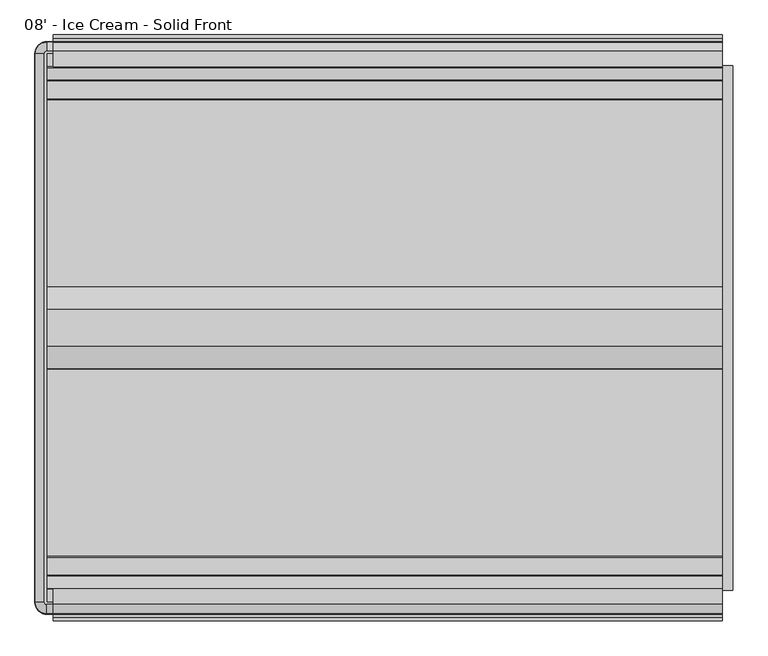
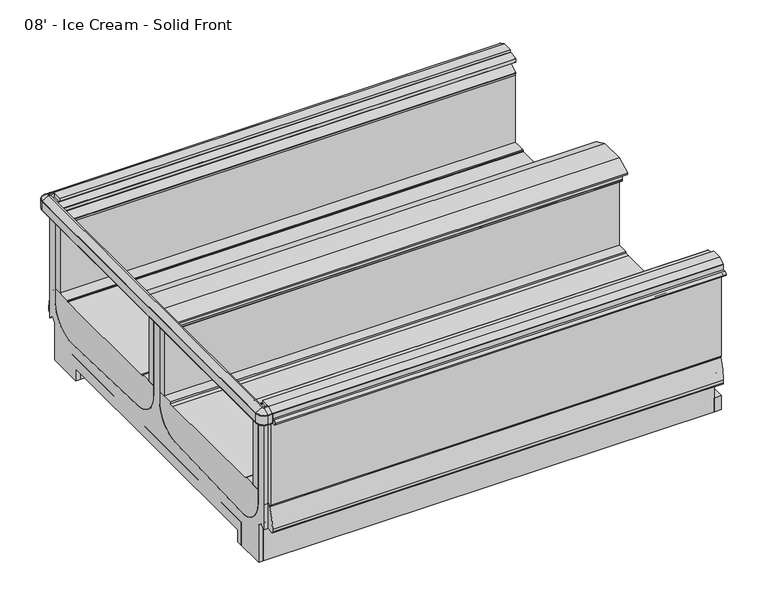
"""IFC4 building model written with IfcOpenShell, lengths in millimetres: proxy geometry, 08' - Ice Cream - Solid Front."""

from ifc_helpers import new_model, si_unit, point, frame, frame_2d, origin, origin_with_axes, place, context, project, spatial, polyline, circle_curve, ellipse_curve, trimmed, segment, composite_curve, outline, extrude, source, transform, mapped, element, save
from ifc_brep_helpers import plane_surface, cylinder_surface, revolved_surface, advanced_brep


def proxy_08_ice_cream_solid_front_a138d0eb(model_context):
    return source(origin(), model_context, "Body", "SolidModel", [
        extrude(outline(polyline([(-2377.8829734, 0.0), (-2409.6329734, 0.0), (-2409.6329734, 218.5762254), (-2377.8829734, 192.0044611), (-2377.8829734, 0.0)])), frame((0.0, 0.0, 0.0), z_axis=(1.0, 0.0, 0.0), x_axis=(0.0, 1.0, 0.0)), (0.0, 0.0, 1.0), 2438.4),
        extrude(outline(polyline([(2374.9, -582.4839273), (2151.2400723, -582.4839273), (2151.2400723, -531.6839273), (2374.9, -531.6839273), (2374.9, -582.4839273)])), frame((0.0, 0.0, -6.35), z_axis=(0.0, 0.0, 1.0), x_axis=(1.0, 0.0, 0.0)), (0.0, 0.0, 1.0), 6.35),
        extrude(outline(composite_curve([segment(trimmed(circle_curve(frame_2d((2235.2, -557.0839273)), 15.875), [point((2219.325, -557.0839273))], [point((2251.075, -557.0839273))], False, "CARTESIAN"), True, "CONTINUOUS"), segment(trimmed(circle_curve(frame_2d((2235.2, -557.0839273)), 15.875), [point((2251.075, -557.0839273))], [point((2219.325, -557.0839273))], False, "CARTESIAN"), True, "CONTINUOUS")], self_intersect=False)), frame((0.0, 0.0, -6.35), z_axis=(0.0, 0.0, 1.0), x_axis=(1.0, 0.0, 0.0)), (0.0, 0.0, 1.0), 6.35),
        extrude(outline(composite_curve([segment(trimmed(circle_curve(frame_2d((2286.0, -557.0839273)), 15.875), [point((2270.125, -557.0839273))], [point((2301.875, -557.0839273))], False, "CARTESIAN"), True, "CONTINUOUS"), segment(trimmed(circle_curve(frame_2d((2286.0, -557.0839273)), 15.875), [point((2301.875, -557.0839273))], [point((2270.125, -557.0839273))], False, "CARTESIAN"), True, "CONTINUOUS")], self_intersect=False)), frame((0.0, 0.0, -6.35), z_axis=(0.0, 0.0, 1.0), x_axis=(1.0, 0.0, 0.0)), (0.0, 0.0, 1.0), 6.35),
        extrude(outline(composite_curve([segment(trimmed(circle_curve(frame_2d((2336.8, -557.0839273)), 15.875), [point((2320.925, -557.0839273))], [point((2352.675, -557.0839273))], False, "CARTESIAN"), True, "CONTINUOUS"), segment(trimmed(circle_curve(frame_2d((2336.8, -557.0839273)), 15.875), [point((2352.675, -557.0839273))], [point((2320.925, -557.0839273))], False, "CARTESIAN"), True, "CONTINUOUS")], self_intersect=False)), frame((0.0, 0.0, -6.35), z_axis=(0.0, 0.0, 1.0), x_axis=(1.0, 0.0, 0.0)), (0.0, 0.0, 1.0), 6.35),
        extrude(outline(composite_curve([segment(trimmed(circle_curve(frame_2d((2184.4, -557.0839273)), 15.875), [point((2168.525, -557.0839273))], [point((2200.275, -557.0839273))], False, "CARTESIAN"), True, "CONTINUOUS"), segment(trimmed(circle_curve(frame_2d((2184.4, -557.0839273)), 15.875), [point((2200.275, -557.0839273))], [point((2168.525, -557.0839273))], False, "CARTESIAN"), True, "CONTINUOUS")], self_intersect=False)), frame((0.0, 0.0, -6.35), z_axis=(0.0, 0.0, 1.0), x_axis=(1.0, 0.0, 0.0)), (0.0, 0.0, 1.0), 6.35),
        extrude(outline(composite_curve([segment(trimmed(circle_curve(frame_2d((203.2, -2350.9589273)), 15.875), [point((219.075, -2350.9589273))], [point((187.325, -2350.9589273))], False, "CARTESIAN"), True, "CONTINUOUS"), segment(trimmed(circle_curve(frame_2d((203.2, -2350.9589273)), 15.875), [point((187.325, -2350.9589273))], [point((219.075, -2350.9589273))], False, "CARTESIAN"), True, "CONTINUOUS")], self_intersect=False)), frame((0.0, 0.0, -6.35), z_axis=(0.0, 0.0, 1.0), x_axis=(1.0, 0.0, 0.0)), (0.0, 0.0, 1.0), 6.35),
        extrude(outline(composite_curve([segment(trimmed(circle_curve(frame_2d((152.4, -2350.9589273)), 15.875), [point((168.275, -2350.9589273))], [point((136.525, -2350.9589273))], False, "CARTESIAN"), True, "CONTINUOUS"), segment(trimmed(circle_curve(frame_2d((152.4, -2350.9589273)), 15.875), [point((136.525, -2350.9589273))], [point((168.275, -2350.9589273))], False, "CARTESIAN"), True, "CONTINUOUS")], self_intersect=False)), frame((0.0, 0.0, -6.35), z_axis=(0.0, 0.0, 1.0), x_axis=(1.0, 0.0, 0.0)), (0.0, 0.0, 1.0), 6.35),
        extrude(outline(composite_curve([segment(trimmed(circle_curve(frame_2d((254.0, -2350.9589273)), 15.875), [point((269.875, -2350.9589273))], [point((238.125, -2350.9589273))], False, "CARTESIAN"), True, "CONTINUOUS"), segment(trimmed(circle_curve(frame_2d((254.0, -2350.9589273)), 15.875), [point((238.125, -2350.9589273))], [point((269.875, -2350.9589273))], False, "CARTESIAN"), True, "CONTINUOUS")], self_intersect=False)), frame((0.0, 0.0, -6.35), z_axis=(0.0, 0.0, 1.0), x_axis=(1.0, 0.0, 0.0)), (0.0, 0.0, 1.0), 6.35),
        extrude(outline(composite_curve([segment(trimmed(circle_curve(frame_2d((101.6, -2350.9589273)), 15.875), [point((117.475, -2350.9589273))], [point((85.725, -2350.9589273))], False, "CARTESIAN"), True, "CONTINUOUS"), segment(trimmed(circle_curve(frame_2d((101.6, -2350.9589273)), 15.875), [point((85.725, -2350.9589273))], [point((117.475, -2350.9589273))], False, "CARTESIAN"), True, "CONTINUOUS")], self_intersect=False)), frame((0.0, 0.0, -6.35), z_axis=(0.0, 0.0, 1.0), x_axis=(1.0, 0.0, 0.0)), (0.0, 0.0, 1.0), 6.35),
        extrude(outline(polyline([(69.85, -2325.5589273), (289.1439539, -2325.5589273), (289.1439539, -2376.3589273), (69.85, -2376.3589273), (69.85, -2325.5589273)])), frame((0.0, 0.0, -6.35), z_axis=(0.0, 0.0, 1.0), x_axis=(1.0, 0.0, 0.0)), (0.0, 0.0, 1.0), 6.35),
        extrude(outline(composite_curve([segment(polyline([(-445.8191812, 916.3995638), (-411.9355812, 896.8368583)]), True, "CONTINUOUS"), segment(trimmed(circle_curve(frame_2d((-412.9769812, 895.0331005)), 2.0828), [point((-411.9355812, 896.8368583))], [point((-410.8941812, 895.0331005))], False, "CARTESIAN"), True, "CONTINUOUS"), segment(polyline([(-410.8941812, 895.0331005), (-410.8941812, 842.2823638)]), True, "CONTINUOUS"), segment(trimmed(circle_curve(frame_2d((-412.9769812, 842.2823638)), 2.0828), [point((-410.8941812, 842.2823638))], [point((-412.9769812, 840.1995638))], False, "CARTESIAN"), True, "CONTINUOUS"), segment(polyline([(-412.9769812, 840.1995638), (-453.2686576, 840.1995638), (-453.2686576, 896.9698692), (-502.6537801, 896.9698692), (-502.6537801, 916.3995638), (-445.8191812, 916.3995638)]), True, "CONTINUOUS")], self_intersect=False)), frame((0.0, 0.0, 0.0), z_axis=(1.0, 0.0, 0.0), x_axis=(0.0, 1.0, 0.0)), (0.0, 0.0, 1.0), 2438.4),
        extrude(outline(composite_curve([segment(polyline([(-2462.2236734, 916.3995638), (-2405.3883698, 916.3995638), (-2405.3883698, 896.9698692), (-2454.774197, 896.9698692), (-2454.774197, 840.1995638), (-2495.0658734, 840.1995638)]), True, "CONTINUOUS"), segment(trimmed(circle_curve(frame_2d((-2495.0658734, 842.2823638)), 2.0828), [point((-2495.0658734, 840.1995638))], [point((-2497.1486734, 842.2823638))], False, "CARTESIAN"), True, "CONTINUOUS"), segment(polyline([(-2497.1486734, 842.2823638), (-2497.1486734, 895.0331005)]), True, "CONTINUOUS"), segment(trimmed(circle_curve(frame_2d((-2495.0658734, 895.0331005)), 2.0828), [point((-2497.1486734, 895.0331005))], [point((-2496.1072734, 896.8368583))], False, "CARTESIAN"), True, "CONTINUOUS"), segment(polyline([(-2496.1072734, 896.8368583), (-2462.2236734, 916.3995638)]), True, "CONTINUOUS")], self_intersect=False)), frame((0.0, 0.0, 0.0), z_axis=(1.0, 0.0, 0.0), x_axis=(0.0, 1.0, 0.0)), (0.0, 0.0, 1.0), 2438.4),
        extrude(outline(polyline([(2476.5, -498.4098812), (2476.5, -2409.6329734), (2438.4, -2409.6329734), (2438.4, -498.4098812), (2476.5, -498.4098812)])), origin_with_axes(), (0.0, 0.0, 1.0), 80.0346764),
        extrude(outline(composite_curve([segment(polyline([(-2454.774197, 212.6925638), (-2484.436449, 212.6925638), (-2484.436449, 210.1525638), (-2489.3644531, 210.1525638)]), True, "CONTINUOUS"), segment(trimmed(circle_curve(frame_2d((-2489.3644531, 218.3404259)), 8.1878621), [point((-2489.3644531, 210.1525638))], [point((-2497.5523152, 218.3404259))], False, "CARTESIAN"), True, "CONTINUOUS"), segment(polyline([(-2497.5523152, 218.3404259), (-2497.5523152, 235.3283913)]), True, "CONTINUOUS"), segment(trimmed(circle_curve(frame_2d((-2218.2798369, 226.8878416)), 279.4), [point((-2497.5523152, 235.3283913))], [point((-2470.719945, 346.6306987))], False, "CARTESIAN"), True, "CONTINUOUS"), segment(trimmed(circle_curve(frame_2d((-2459.2453946, 341.1878416)), 12.7), [point((-2470.719945, 346.6306987))], [point((-2459.036449, 353.8861226))], False, "CARTESIAN"), True, "CONTINUOUS"), segment(polyline([(-2459.036449, 353.8861226), (-2459.036449, 358.1075638), (-2454.774197, 358.1075638), (-2454.774197, 212.6925638)]), True, "CONTINUOUS")], self_intersect=False)), frame((0.0, 0.0, 0.0), z_axis=(1.0, 0.0, 0.0), x_axis=(0.0, 1.0, 0.0)), (0.0, 0.0, 1.0), 2438.4),
        extrude(outline(composite_curve([segment(polyline([(-453.2686576, 212.6925638), (-453.2686576, 358.1075638), (-449.0064056, 358.1075638), (-449.0064056, 353.8878416), (-439.8158479, 353.8878416)]), True, "CONTINUOUS"), segment(trimmed(circle_curve(frame_2d((-439.8158479, 341.1878416)), 12.7), [point((-439.8158479, 353.8878416))], [point((-428.3412975, 346.6306987))], False, "CARTESIAN"), True, "CONTINUOUS"), segment(trimmed(circle_curve(frame_2d((-680.7814056, 226.8878416)), 279.4), [point((-428.3412975, 346.6306987))], [point((-401.5089273, 235.3283913))], False, "CARTESIAN"), True, "CONTINUOUS"), segment(polyline([(-401.5089273, 235.3283913), (-401.5089273, 218.3404259)]), True, "CONTINUOUS"), segment(trimmed(circle_curve(frame_2d((-409.6967894, 218.3404259)), 8.1878621), [point((-401.5089273, 218.3404259))], [point((-409.6967894, 210.1525638))], False, "CARTESIAN"), True, "CONTINUOUS"), segment(polyline([(-409.6967894, 210.1525638), (-423.6064056, 210.1525638), (-423.6064056, 212.6925638), (-453.2686576, 212.6925638)]), True, "CONTINUOUS")], self_intersect=False)), frame((0.0, 0.0, 0.0), z_axis=(1.0, 0.0, 0.0), x_axis=(0.0, 1.0, 0.0)), (0.0, 0.0, 1.0), 2438.4),
        advanced_brep(
        [(-24.4402697, -2454.774197, 897.0258043), (-24.4402697, -2405.4351648, 897.0258043), (-24.4402697, -2405.4351648, 329.8307252), (-24.4402697, -2245.5061532, 189.514106), (-24.4402697, -1631.4536419, 211.922149), (-24.4402697, -1480.7855206, 364.3123081), (-24.4402697, -1480.7848159, 866.4774073), (-24.4402697, -1427.2580387, 866.4774073), (-24.4402697, -1427.2580387, 364.3123081), (-24.4402697, -1276.5892127, 211.922149), (-24.4402697, -662.5367014, 189.514106), (-24.4402697, -502.6076898, 329.8307252), (-24.4402697, -502.6076898, 413.6025156), (-24.4402697, -502.6076898, 897.0258043), (-24.4402697, -453.2686576, 897.0258043), (-24.4402697, -453.2686576, 358.1075638), (-24.4402697, -453.2686576, 212.7617767), (-24.4402697, -472.9537484, 236.2215544), (-24.4402697, -498.4098812, 214.8613228), (-24.4402697, -498.4098812, 0.0), (-24.4402697, -694.8002747, 0.0), (-24.4402697, -694.8001069, 67.8833987), (-24.4402697, -1454.0214273, 67.8834387), (-24.4402697, -2213.2427477, 67.8833987), (-24.4402697, -2213.2425799, 0.0), (-24.4402697, -2409.6329734, 0.0), (-24.4402697, -2409.6329734, 214.8613228), (-24.4402697, -2435.0891062, 236.2215544), (-24.4402697, -2454.774197, 212.7617767), (-24.4402697, -2454.774197, 358.1075638), (0.0, -2454.774197, 897.0258043), (0.0, -2454.774197, 358.1075638), (0.0, -2454.774197, 212.7617767), (0.0, -2435.0891062, 236.2215544), (0.0, -2409.6329734, 214.8613228), (0.0, -2409.6329734, 0.0), (0.0, -2213.2425799, 0.0), (0.0, -2213.2427477, 67.8833987), (0.0, -1454.0214273, 67.8834387), (0.0, -694.8001069, 67.8833987), (0.0, -694.8002747, 0.0), (0.0, -498.4098812, 0.0), (0.0, -498.4098812, 214.8613228), (0.0, -472.9537484, 236.2215544), (0.0, -453.2686576, 212.7617767), (0.0, -453.2686576, 358.1075638), (0.0, -453.2686576, 897.0258043), (0.0, -502.6076898, 897.0258043), (0.0, -502.6076898, 413.6025156), (0.0, -502.6076898, 329.8307252), (0.0, -662.5367014, 189.514106), (0.0, -1276.5892127, 211.922149), (0.0, -1427.257334, 364.3123081), (0.0, -1427.2580387, 866.4774073), (0.0, -1480.7848159, 866.4774073), (0.0, -1480.7848159, 364.3123081), (0.0, -1631.4536419, 211.922149), (0.0, -2245.5061532, 189.514106), (0.0, -2405.4351648, 329.8307252), (0.0, -2405.4351648, 897.0258043)],
        [
            (0, 1),
            (1, 2),
            (2, 3, circle_curve(frame((-24.4402697, -2254.7995855, 340.2213556), z_axis=(1.0, 0.0, 0.0), x_axis=(0.0, 1.0, 0.0)), 150.9935196)),
            (3, 4, circle_curve(frame((-24.4402697, -1492.4045203, -12023.1831731), z_axis=(-1.0, 0.0, 0.0), x_axis=(0.0, 1.0, 0.0)), 12235.8954271)),
            (4, 5, circle_curve(frame((-24.4402697, -1633.1855206, 364.3123081), z_axis=(1.0, 0.0, 0.0), x_axis=(0.0, 1.0, 0.0)), 152.4)),
            (5, 6),
            (6, 7),
            (7, 8),
            (8, 9, circle_curve(frame((-24.4402697, -1274.857334, 364.3123081), z_axis=(1.0, 0.0, 0.0), x_axis=(0.0, 1.0, 0.0)), 152.4)),
            (9, 10, circle_curve(frame((-24.4402697, -1415.6383343, -12023.1831731), z_axis=(-1.0, 0.0, 0.0), x_axis=(0.0, 1.0, 0.0)), 12235.8954271)),
            (10, 11, circle_curve(frame((-24.4402697, -653.2432691, 340.2213556), z_axis=(1.0, 0.0, 0.0), x_axis=(0.0, 1.0, 0.0)), 150.9935196)),
            (11, 12),
            (12, 13),
            (13, 14),
            (14, 15),
            (15, 16),
            (16, 17),
            (17, 18),
            (18, 19),
            (19, 20),
            (20, 21),
            (21, 22),
            (22, 23),
            (23, 24),
            (24, 25),
            (25, 26),
            (26, 27),
            (27, 28),
            (28, 29),
            (29, 0),
            (30, 31),
            (31, 32),
            (32, 33),
            (33, 34),
            (34, 35),
            (35, 36),
            (36, 37),
            (37, 38),
            (38, 39),
            (39, 40),
            (40, 41),
            (41, 42),
            (42, 43),
            (43, 44),
            (44, 45),
            (45, 46),
            (46, 47),
            (47, 48),
            (48, 49),
            (49, 50, circle_curve(frame((0.0, -653.2432691, 340.2213556), z_axis=(-1.0, 0.0, 0.0), x_axis=(0.0, 1.0, 0.0)), 150.9935196)),
            (50, 51, circle_curve(frame((0.0, -1415.6383343, -12023.1831731), z_axis=(1.0, 0.0, 0.0), x_axis=(0.0, 1.0, 0.0)), 12235.8954271)),
            (51, 52, circle_curve(frame((0.0, -1274.857334, 364.3123081), z_axis=(-1.0, 0.0, 0.0), x_axis=(0.0, 1.0, 0.0)), 152.4)),
            (52, 53),
            (53, 54),
            (54, 55),
            (55, 56, circle_curve(frame((0.0, -1633.1855206, 364.3123081), z_axis=(-1.0, 0.0, 0.0), x_axis=(0.0, 1.0, 0.0)), 152.4)),
            (56, 57, circle_curve(frame((0.0, -1492.4045203, -12023.1831731), z_axis=(1.0, 0.0, 0.0), x_axis=(0.0, 1.0, 0.0)), 12235.8954271)),
            (57, 58, circle_curve(frame((0.0, -2254.7995855, 340.2213556), z_axis=(-1.0, 0.0, 0.0), x_axis=(0.0, 1.0, 0.0)), 150.9935196)),
            (58, 59),
            (59, 30),
            (59, 1),
            (0, 30),
            (29, 31),
            (28, 32),
            (45, 15),
            (14, 46),
            (13, 47),
            (42, 18),
            (17, 43),
            (16, 44),
            (27, 33),
            (26, 34),
            (12, 48),
            (11, 49),
            (10, 50),
            (9, 51),
            (8, 52),
            (7, 53),
            (6, 54),
            (5, 55),
            (4, 56),
            (3, 57),
            (2, 58),
            (25, 35),
            (24, 36),
            (23, 37),
            (22, 38),
            (21, 39),
            (20, 40),
            (19, 41),
        ],
        [
            plane_surface(frame((-24.4402697, -2454.774197, 358.1075638), z_axis=(-1.0, 0.0, 0.0), x_axis=(0.0, 0.0, 1.0))),
            plane_surface(frame((0.0, -2454.774197, 358.1075638), z_axis=(1.0, 0.0, 0.0), x_axis=(0.0, 0.0, -1.0))),
            plane_surface(frame((0.0, -2405.4351648, 897.0258043), z_axis=(0.0, 0.0, 1.0), x_axis=(-1.0, 0.0, 0.0))),
            plane_surface(frame((0.0, -2454.774197, 897.0258043), z_axis=(0.0, -1.0, 0.0), x_axis=(-1.0, 0.0, 0.0))),
            plane_surface(frame((0.0, -2454.774197, 358.1075638), z_axis=(0.0, -1.0, 0.0), x_axis=(-1.0, 0.0, 0.0))),
            plane_surface(frame((0.0, -453.2686576, 358.1075638), z_axis=(0.0, 1.0, 0.0), x_axis=(-1.0, 0.0, 0.0))),
            plane_surface(frame((0.0, -453.2686576, 897.0258043), z_axis=(0.0, 0.0, 1.0), x_axis=(-1.0, 0.0, 0.0))),
            plane_surface(frame((0.0, -498.4098812, 214.8613228), z_axis=(0.0, 0.6427876097064538, -0.7660444431022678), x_axis=(-1.0, 0.0, 0.0))),
            plane_surface(frame((0.0, -472.9537484, 236.2215544), z_axis=(0.0, -0.7660444431084633, -0.6427876096990705), x_axis=(-1.0, 0.0, 0.0))),
            plane_surface(frame((0.0, -453.2686576, 212.7617767), z_axis=(0.0, 1.0, 3.1216682375061996e-12), x_axis=(-1.0, 0.0, 0.0))),
            plane_surface(frame((0.0, -2454.774197, 212.7617767), z_axis=(0.0, 0.7660444431333294, -0.6427876096694362), x_axis=(-1.0, 0.0, 0.0))),
            plane_surface(frame((0.0, -2435.0891062, 236.2215544), z_axis=(0.0, -0.6427876097190367, -0.7660444430917096), x_axis=(-1.0, 0.0, 0.0))),
            plane_surface(frame((0.0, -502.6076898, 897.0258043), z_axis=(0.0, -1.0, 0.0), x_axis=(-1.0, 0.0, 0.0))),
            plane_surface(frame((0.0, -502.6076898, 413.6025156), z_axis=(0.0, -1.0, 0.0), x_axis=(-1.0, 0.0, 0.0))),
            revolved_surface(polyline([(-24.4402697, -502.2497495, 340.2213556), (0.0, -502.2497495, 340.2213556)]), (-24.4402697, -653.2432691, 340.2213556), (-1.0, 0.0, 0.0)),
            cylinder_surface(frame((-24.4402697, -1415.6383343, -12023.1831731), z_axis=(1.0, 0.0, 0.0), x_axis=(0.0, 1.0, 0.0)), 12235.8954271),
            revolved_surface(polyline([(-24.4402697, -1122.457334, 364.3123081), (0.0, -1122.457334, 364.3123081)]), (-24.4402697, -1274.857334, 364.3123081), (-1.0, 0.0, 0.0)),
            plane_surface(frame((0.0, -1427.2580387, 364.3123081), z_axis=(0.0, 1.0, 0.0), x_axis=(-1.0, 0.0, 0.0))),
            plane_surface(frame((0.0, -1427.2580387, 866.4774073), z_axis=(0.0, 0.0, 1.0), x_axis=(-1.0, 0.0, 0.0))),
            plane_surface(frame((0.0, -1480.7848159, 866.4774073), z_axis=(0.0, -1.0, 0.0), x_axis=(-1.0, 0.0, 0.0))),
            revolved_surface(polyline([(-24.4402697, -1480.7855206, 364.3123081), (0.0, -1480.7855206, 364.3123081)]), (-24.4402697, -1633.1855206, 364.3123081), (-1.0, 0.0, 0.0)),
            cylinder_surface(frame((-24.4402697, -1492.4045203, -12023.1831731), z_axis=(1.0, 0.0, 0.0), x_axis=(0.0, 1.0, 0.0)), 12235.8954271),
            revolved_surface(polyline([(-24.4402697, -2103.8060659, 340.2213556), (0.0, -2103.8060659, 340.2213556)]), (-24.4402697, -2254.7995855, 340.2213556), (-1.0, 0.0, 0.0)),
            plane_surface(frame((0.0, -2405.4351648, 329.8307252), z_axis=(0.0, 1.0, 0.0), x_axis=(-1.0, 0.0, 0.0))),
            plane_surface(frame((0.0, -2409.6329734, 214.8613228), z_axis=(0.0, -1.0, 0.0), x_axis=(-1.0, 0.0, 0.0))),
            plane_surface(frame((0.0, -2409.6329734, 0.0), z_axis=(0.0, 0.0, -1.0), x_axis=(-1.0, 0.0, 0.0))),
            plane_surface(frame((0.0, -2213.2425799, 0.0), z_axis=(0.0, 0.9999999999969436, 2.472444991820878e-06), x_axis=(-1.0, 0.0, 0.0))),
            plane_surface(frame((0.0, -2213.2427477, 67.8833987), z_axis=(0.0, 5.271826472873997e-08, -0.9999999999999987), x_axis=(-1.0, 0.0, 0.0))),
            plane_surface(frame((0.0, -1454.0214273, 67.8834387), z_axis=(0.0, -5.271826471759711e-08, -0.9999999999999987), x_axis=(-1.0, 0.0, 0.0))),
            plane_surface(frame((0.0, -694.8001069, 67.8833987), z_axis=(0.0, -0.9999999999969436, 2.472444991820454e-06), x_axis=(-1.0, 0.0, 0.0))),
            plane_surface(frame((0.0, -694.8002747, 0.0), z_axis=(0.0, 0.0, -1.0), x_axis=(-1.0, 0.0, 0.0))),
            plane_surface(frame((0.0, -498.4098812, 0.0), z_axis=(0.0, 1.0, 0.0), x_axis=(-1.0, 0.0, 0.0))),
        ],
        [
            (0, [[1, 2, 3, 4, 5, 6, 7, 8, 9, 10, 11, 12, 13, 14, 15, 16, 17, 18, 19, 20, 21, 22, 23, 24, 25, 26, 27, 28, 29, 30]]),
            (1, [[31, 32, 33, 34, 35, 36, 37, 38, 39, 40, 41, 42, 43, 44, 45, 46, 47, 48, 49, 50, 51, 52, 53, 54, 55, 56, 57, 58, 59, 60]]),
            (2, [[-60, 61, -1, 62]]),
            (3, [[-31, -62, -30, 63]]),
            (4, [[-32, -63, -29, 64]]),
            (5, [[-46, 65, -15, 66]]),
            (6, [[-47, -66, -14, 67]]),
            (7, [[-43, 68, -18, 69]]),
            (8, [[-44, -69, -17, 70]]),
            (9, [[-45, -70, -16, -65]]),
            (10, [[-33, -64, -28, 71]]),
            (11, [[-34, -71, -27, 72]]),
            (12, [[-48, -67, -13, 73]]),
            (13, [[-49, -73, -12, 74]]),
            (14, [[-50, -74, -11, 75]]),
            (15, [[-51, -75, -10, 76]]),
            (16, [[-52, -76, -9, 77]]),
            (17, [[-53, -77, -8, 78]]),
            (18, [[-54, -78, -7, 79]]),
            (19, [[-55, -79, -6, 80]]),
            (20, [[-56, -80, -5, 81]]),
            (21, [[-57, -81, -4, 82]]),
            (22, [[-58, -82, -3, 83]]),
            (23, [[-59, -83, -2, -61]]),
            (24, [[-35, -72, -26, 84]]),
            (25, [[-36, -84, -25, 85]]),
            (26, [[-37, -85, -24, 86]]),
            (27, [[-38, -86, -23, 87]]),
            (28, [[-39, -87, -22, 88]]),
            (29, [[-40, -88, -21, 89]]),
            (30, [[-41, -89, -20, 90]]),
            (31, [[-42, -90, -19, -68]]),
        ],
    ),
        extrude(outline(polyline([(-2247.3548736, 0.0), (-2409.6329734, 0.0), (-2409.6329734, 214.8613228), (-2435.0891062, 236.2215544), (-2454.774197, 212.7617767), (-2454.774197, 256.3551845), (-2304.8796168, 130.9075167), (-2247.3551153, 130.9023907), (-2247.3548736, 0.0)])), frame((0.0, 0.0, 0.0), z_axis=(1.0, 0.0, 0.0), x_axis=(0.0, 1.0, 0.0)), (0.0, 0.0, 1.0), 2438.4),
        extrude(outline(polyline([(-660.687981, 0.0), (-660.6877393, 130.9023907), (-603.1632378, 130.9075167), (-498.4098812, 218.5762254), (-498.4098812, 0.0), (-660.687981, 0.0)])), frame((0.0, 0.0, 0.0), z_axis=(1.0, 0.0, 0.0), x_axis=(0.0, 1.0, 0.0)), (0.0, 0.0, 1.0), 2438.4),
        extrude(outline(composite_curve([segment(polyline([(-453.2686576, 840.1995638), (-429.7663812, 840.1995638), (-429.7663812, 359.6315638)]), True, "CONTINUOUS"), segment(trimmed(circle_curve(frame_2d((-431.2903812, 359.6315638)), 1.524), [point((-429.7663812, 359.6315638))], [point((-431.2903812, 358.1075638))], False, "CARTESIAN"), True, "CONTINUOUS"), segment(polyline([(-431.2903812, 358.1075638), (-453.2686576, 358.1075638), (-453.2686576, 840.1995638)]), True, "CONTINUOUS")], self_intersect=False)), frame((0.0, 0.0, 0.0), z_axis=(1.0, 0.0, 0.0), x_axis=(0.0, 1.0, 0.0)), (0.0, 0.0, 1.0), 2438.4),
        extrude(outline(composite_curve([segment(polyline([(-2454.774197, 840.1995638), (-2454.774197, 358.1075638), (-2476.7524734, 358.1075638)]), True, "CONTINUOUS"), segment(trimmed(circle_curve(frame_2d((-2476.7524734, 359.6315638)), 1.524), [point((-2476.7524734, 358.1075638))], [point((-2478.2764734, 359.6315638))], False, "CARTESIAN"), True, "CONTINUOUS"), segment(polyline([(-2478.2764734, 359.6315638), (-2478.2764734, 840.1995638), (-2454.774197, 840.1995638)]), True, "CONTINUOUS")], self_intersect=False)), frame((0.0, 0.0, 0.0), z_axis=(1.0, 0.0, 0.0), x_axis=(0.0, 1.0, 0.0)), (0.0, 0.0, 1.0), 2438.4),
        extrude(outline(composite_curve([segment(polyline([(-2497.1486734, 866.4774073), (-2497.1486734, 841.0774073), (-2509.5631602, 841.0774073)]), True, "CONTINUOUS"), segment(trimmed(circle_curve(frame_2d((-2509.5631602, 853.7774073)), 12.7), [point((-2509.5631602, 841.0774073))], [point((-2522.2631602, 853.7774073))], False, "CARTESIAN"), True, "CONTINUOUS"), segment(trimmed(circle_curve(frame_2d((-2509.5631602, 853.7774073)), 12.7), [point((-2522.2631602, 853.7774073))], [point((-2509.5631602, 866.4774073))], False, "CARTESIAN"), True, "CONTINUOUS"), segment(polyline([(-2509.5631602, 866.4774073), (-2497.1486734, 866.4774073)]), True, "CONTINUOUS")], self_intersect=False)), frame((0.0, 0.0, 0.0), z_axis=(1.0, 0.0, 0.0), x_axis=(0.0, 1.0, 0.0)), (0.0, 0.0, 1.0), 2438.4),
        extrude(outline(composite_curve([segment(polyline([(-410.8941812, 866.4774073), (-398.4796944, 866.4774073)]), True, "CONTINUOUS"), segment(trimmed(circle_curve(frame_2d((-398.4796944, 853.7774073)), 12.7), [point((-398.4796944, 866.4774073))], [point((-385.7796944, 853.7774073))], False, "CARTESIAN"), True, "CONTINUOUS"), segment(trimmed(circle_curve(frame_2d((-398.4796944, 853.7774073)), 12.7), [point((-385.7796944, 853.7774073))], [point((-398.4796944, 841.0774073))], False, "CARTESIAN"), True, "CONTINUOUS"), segment(polyline([(-398.4796944, 841.0774073), (-410.8941812, 841.0774073), (-410.8941812, 866.4774073)]), True, "CONTINUOUS")], self_intersect=False)), frame((0.0, 0.0, 0.0), z_axis=(1.0, 0.0, 0.0), x_axis=(0.0, 1.0, 0.0)), (0.0, 0.0, 1.0), 2438.4),
        extrude(outline(polyline([(2438.4, -1527.311562), (2438.4, -1549.536562), (0.0, -1549.536562), (0.0, -1527.311562), (2438.4, -1527.311562)])), frame((0.0, 0.0, 802.4445616), z_axis=(0.0, 0.0, 1.0), x_axis=(1.0, 0.0, 0.0)), (0.0, 0.0, 1.0), 76.2),
        extrude(outline(polyline([(2438.4, -1358.5062926), (2438.4, -1380.7312926), (0.0, -1380.7312926), (0.0, -1358.5062926), (2438.4, -1358.5062926)])), frame((0.0, 0.0, 802.4445616), z_axis=(0.0, 0.0, 1.0), x_axis=(1.0, 0.0, 0.0)), (0.0, 0.0, 1.0), 76.2),
        extrude(outline(composite_curve([segment(polyline([(-1551.071886, 800.8570616), (-1551.071886, 808.7945616), (-1549.536562, 808.7945616), (-1549.536562, 802.4445616), (-1527.311562, 802.4445616), (-1527.311562, 866.3043859), (-1480.7848159, 866.3043859), (-1480.7848159, 415.2220813), (-1522.6087322, 415.2325275), (-1522.6087322, 775.2893206)]), True, "CONTINUOUS"), segment(trimmed(circle_curve(frame_2d((-1522.2729918, 776.2117598)), 0.9816393), [point((-1522.6087322, 775.2893206))], [point((-1523.2546312, 776.2117598))], False, "CARTESIAN"), True, "CONTINUOUS"), segment(polyline([(-1523.2546312, 776.2117598), (-1523.2546312, 800.8570616), (-1551.071886, 800.8570616)]), True, "CONTINUOUS")], self_intersect=False)), frame((-24.4402697, 0.0, 0.0), z_axis=(1.0, 0.0, 0.0), x_axis=(0.0, 1.0, 0.0)), (0.0, 0.0, 1.0), 2462.8402697),
        extrude(outline(composite_curve([segment(polyline([(-1356.9709686, 800.8570616), (-1384.7882234, 800.8570616), (-1384.7882234, 776.2117598)]), True, "CONTINUOUS"), segment(trimmed(circle_curve(frame_2d((-1385.7698628, 776.2117598)), 0.9816393), [point((-1384.7882234, 776.2117598))], [point((-1385.4341224, 775.2893206))], False, "CARTESIAN"), True, "CONTINUOUS"), segment(polyline([(-1385.4341224, 775.2893206), (-1385.4341224, 415.2325275), (-1427.2580387, 415.2220813), (-1427.2580387, 866.3043859), (-1380.7312926, 866.3043859), (-1380.7312926, 802.4445616), (-1358.5062926, 802.4445616), (-1358.5062926, 808.7945616), (-1356.9709686, 808.7945616), (-1356.9709686, 800.8570616)]), True, "CONTINUOUS")], self_intersect=False)), frame((-24.4402697, 0.0, 0.0), z_axis=(1.0, 0.0, 0.0), x_axis=(0.0, 1.0, 0.0)), (0.0, 0.0, 1.0), 2462.8402697),
        extrude(outline(polyline([(-1387.836481, 914.8138293), (-1305.5925722, 875.4929407), (-1309.5700998, 864.574991), (-1312.0395874, 864.7344073), (-1358.5062926, 864.7344073), (-1358.5062926, 878.6445616), (-1380.7312926, 878.6445616), (-1380.7312926, 866.3043859), (-1527.311562, 866.3043859), (-1527.311562, 878.6445616), (-1549.536562, 878.6445616), (-1549.536562, 864.7344073), (-1596.0032672, 864.7344073), (-1598.4727548, 864.574991), (-1602.4502824, 875.4929407), (-1520.2063736, 914.8138293), (-1387.836481, 914.8138293)])), frame((-24.4402697, 0.0, 0.0), z_axis=(1.0, 0.0, 0.0), x_axis=(0.0, 1.0, 0.0)), (0.0, 0.0, 1.0), 2462.8402697),
        extrude(outline(composite_curve([segment(polyline([(-502.6076898, 413.6025156), (-547.7105983, 413.6025156), (-547.7105983, 799.5951356), (-549.2980983, 799.5951356), (-552.5851001, 811.8623936)]), True, "CONTINUOUS"), segment(trimmed(circle_curve(frame_2d((-550.6959424, 812.3685918)), 1.9558), [point((-552.5851001, 811.8623936))], [point((-551.6738424, 814.0623643))], False, "CARTESIAN"), True, "CONTINUOUS"), segment(polyline([(-551.6738424, 814.0623643), (-507.7817983, 839.4034478)]), True, "CONTINUOUS"), segment(trimmed(circle_curve(frame_2d((-506.8038983, 837.7096753)), 1.9558), [point((-507.7817983, 839.4034478))], [point((-504.8480983, 837.7096753))], False, "CARTESIAN"), True, "CONTINUOUS"), segment(polyline([(-504.8480983, 837.7096753), (-504.8480983, 846.7803598)]), True, "CONTINUOUS"), segment(trimmed(circle_curve(frame_2d((-505.6354983, 846.7803598)), 0.7874), [point((-504.8480983, 846.7803598))], [point((-505.2464442, 847.4649295))], True, "CARTESIAN"), True, "CONTINUOUS"), segment(polyline([(-505.2464442, 847.4649295), (-550.9785754, 873.4553778)]), True, "CONTINUOUS"), segment(trimmed(circle_curve(frame_2d((-550.2255675, 874.7803514)), 1.524), [point((-550.9785754, 873.4553778))], [point((-551.7495675, 874.7803514))], False, "CARTESIAN"), True, "CONTINUOUS"), segment(polyline([(-551.7495675, 874.7803514), (-551.7495675, 892.7114623)]), True, "CONTINUOUS"), segment(trimmed(circle_curve(frame_2d((-550.2255675, 892.7114623)), 1.524), [point((-551.7495675, 892.7114623))], [point((-550.4902073, 894.2123093))], False, "CARTESIAN"), True, "CONTINUOUS"), segment(polyline([(-550.4902073, 894.2123093), (-505.4987677, 902.1455141), (-502.6076898, 902.1455141), (-502.6076898, 413.6025156)]), True, "CONTINUOUS")], self_intersect=False)), frame((-24.4402697, 0.0, 0.0), z_axis=(1.0, 0.0, 0.0), x_axis=(0.0, 1.0, 0.0)), (0.0, 0.0, 1.0), 2462.8402697),
        extrude(outline(composite_curve([segment(polyline([(-2405.4351648, 413.6025156), (-2405.4351648, 902.1455141), (-2402.5440869, 902.1455141), (-2357.5526473, 894.2123093)]), True, "CONTINUOUS"), segment(trimmed(circle_curve(frame_2d((-2357.8172871, 892.7114623)), 1.524), [point((-2357.5526473, 894.2123093))], [point((-2356.2932871, 892.7114623))], False, "CARTESIAN"), True, "CONTINUOUS"), segment(polyline([(-2356.2932871, 892.7114623), (-2356.2932871, 874.7803514)]), True, "CONTINUOUS"), segment(trimmed(circle_curve(frame_2d((-2357.8172871, 874.7803514)), 1.524), [point((-2356.2932871, 874.7803514))], [point((-2357.0642791, 873.4553778))], False, "CARTESIAN"), True, "CONTINUOUS"), segment(polyline([(-2357.0642791, 873.4553778), (-2402.7964104, 847.4649295)]), True, "CONTINUOUS"), segment(trimmed(circle_curve(frame_2d((-2402.4073563, 846.7803598)), 0.7874), [point((-2402.7964104, 847.4649295))], [point((-2403.1947563, 846.7803598))], True, "CARTESIAN"), True, "CONTINUOUS"), segment(polyline([(-2403.1947563, 846.7803598), (-2403.1947563, 837.7096753)]), True, "CONTINUOUS"), segment(trimmed(circle_curve(frame_2d((-2401.2389563, 837.7096753)), 1.9558), [point((-2403.1947563, 837.7096753))], [point((-2400.2610563, 839.4034478))], False, "CARTESIAN"), True, "CONTINUOUS"), segment(polyline([(-2400.2610563, 839.4034478), (-2356.3690122, 814.0623643)]), True, "CONTINUOUS"), segment(trimmed(circle_curve(frame_2d((-2357.3469122, 812.3685918)), 1.9558), [point((-2356.3690122, 814.0623643))], [point((-2355.4577545, 811.8623936))], False, "CARTESIAN"), True, "CONTINUOUS"), segment(polyline([(-2355.4577545, 811.8623936), (-2358.7447563, 799.5951356), (-2360.3322563, 799.5951356), (-2360.3322563, 413.6025156), (-2405.4351648, 413.6025156)]), True, "CONTINUOUS")], self_intersect=False)), frame((-24.4402697, 0.0, 0.0), z_axis=(1.0, 0.0, 0.0), x_axis=(0.0, 1.0, 0.0)), (0.0, 0.0, 1.0), 2462.8402697),
        extrude(outline(composite_curve([segment(trimmed(circle_curve(frame_2d((-653.2432691, 340.2213556)), 150.9935196), [point((-502.6076898, 329.8307252))], [point((-662.5367014, 189.514106))], False, "CARTESIAN"), True, "CONTINUOUS"), segment(trimmed(circle_curve(frame_2d((-1415.6383343, -12023.1831731)), 12235.8954271), [point((-662.5367014, 189.514106))], [point((-1276.5892127, 211.922149))], True, "CARTESIAN"), True, "CONTINUOUS"), segment(trimmed(circle_curve(frame_2d((-1274.857334, 364.3123081)), 152.4), [point((-1276.5892127, 211.922149))], [point((-1427.257334, 364.3123081))], False, "CARTESIAN"), True, "CONTINUOUS"), segment(polyline([(-1427.257334, 364.3123081), (-1427.257334, 415.2220814), (-1327.4861855, 415.247001), (-1327.4836218, 404.9827495), (-1304.411668, 404.9827495), (-621.5663814, 405.1887649)]), True, "CONTINUOUS"), segment(trimmed(circle_curve(frame_2d((-621.5666848, 406.1943748)), 1.0056099), [point((-621.5663814, 405.1887649))], [point((-620.5610749, 406.1943748))], True, "CARTESIAN"), True, "CONTINUOUS"), segment(polyline([(-620.5610749, 406.1943748), (-620.5610749, 410.7761577)]), True, "CONTINUOUS"), segment(trimmed(circle_curve(frame_2d((-617.734717, 410.7761577)), 2.8263579), [point((-620.5610749, 410.7761577))], [point((-617.734717, 413.6025156))], False, "CARTESIAN"), True, "CONTINUOUS"), segment(polyline([(-617.734717, 413.6025156), (-502.6076898, 413.6025156), (-502.6076898, 329.8307252)]), True, "CONTINUOUS")], self_intersect=False)), frame((-24.4402697, 0.0, 0.0), z_axis=(1.0, 0.0, 0.0), x_axis=(0.0, 1.0, 0.0)), (0.0, 0.0, 1.0), 2462.8402697),
        extrude(outline(composite_curve([segment(polyline([(-2405.4351648, 329.8307252), (-2405.4351648, 413.6025156), (-2290.3081376, 413.6025156)]), True, "CONTINUOUS"), segment(trimmed(circle_curve(frame_2d((-2290.3081376, 410.7761577)), 2.8263579), [point((-2290.3081376, 413.6025156))], [point((-2287.4817797, 410.7761577))], False, "CARTESIAN"), True, "CONTINUOUS"), segment(polyline([(-2287.4817797, 410.7761577), (-2287.4817797, 406.1943748)]), True, "CONTINUOUS"), segment(trimmed(circle_curve(frame_2d((-2286.4761698, 406.1943748)), 1.0056099), [point((-2287.4817797, 406.1943748))], [point((-2286.4764732, 405.1887649))], True, "CARTESIAN"), True, "CONTINUOUS"), segment(polyline([(-2286.4764732, 405.1887649), (-1603.6311866, 404.9827495), (-1580.5592328, 404.9827495), (-1580.5566691, 415.247001), (-1480.7855206, 415.2220814), (-1480.7855206, 364.3123081)]), True, "CONTINUOUS"), segment(trimmed(circle_curve(frame_2d((-1633.1855206, 364.3123081)), 152.4), [point((-1480.7855206, 364.3123081))], [point((-1631.4536419, 211.922149))], False, "CARTESIAN"), True, "CONTINUOUS"), segment(trimmed(circle_curve(frame_2d((-1492.4045203, -12023.1831731)), 12235.8954271), [point((-1631.4536419, 211.922149))], [point((-2245.5061532, 189.514106))], True, "CARTESIAN"), True, "CONTINUOUS"), segment(trimmed(circle_curve(frame_2d((-2254.7995855, 340.2213556)), 150.9935196), [point((-2245.5061532, 189.514106))], [point((-2405.4351648, 329.8307252))], False, "CARTESIAN"), True, "CONTINUOUS")], self_intersect=False)), frame((-24.4402697, 0.0, 0.0), z_axis=(1.0, 0.0, 0.0), x_axis=(0.0, 1.0, 0.0)), (0.0, 0.0, 1.0), 2462.8402697),
        extrude(outline(composite_curve([segment(polyline([(-453.2679529, 897.0258043), (-453.2679529, 256.3551845), (-603.1625331, 130.9075167), (-2304.8796168, 130.9075167), (-2454.774197, 256.3551845), (-2454.774197, 897.0258043), (-2405.4344601, 897.0258043), (-2405.4344601, 329.8307252)]), True, "CONTINUOUS"), segment(trimmed(circle_curve(frame_2d((-2254.7988808, 340.2213556)), 150.9935196), [point((-2405.4344601, 329.8307252))], [point((-2245.5054485, 189.514106))], True, "CARTESIAN"), True, "CONTINUOUS"), segment(trimmed(circle_curve(frame_2d((-1492.4038157, -12023.1831731)), 12235.8954271), [point((-2245.5054485, 189.514106))], [point((-1631.4529372, 211.922149))], False, "CARTESIAN"), True, "CONTINUOUS"), segment(trimmed(circle_curve(frame_2d((-1633.1848159, 364.3123081)), 152.4), [point((-1631.4529372, 211.922149))], [point((-1480.7848159, 364.3123081))], True, "CARTESIAN"), True, "CONTINUOUS"), segment(polyline([(-1480.7848159, 364.3123081), (-1480.7848159, 866.3043859), (-1427.257334, 866.3043859), (-1427.257334, 364.3123081)]), True, "CONTINUOUS"), segment(trimmed(circle_curve(frame_2d((-1274.857334, 364.3123081)), 152.4), [point((-1427.257334, 364.3123081))], [point((-1276.5892127, 211.922149))], True, "CARTESIAN"), True, "CONTINUOUS"), segment(trimmed(circle_curve(frame_2d((-1415.6383343, -12023.1831731)), 12235.8954271), [point((-1276.5892127, 211.922149))], [point((-662.5367014, 189.514106))], False, "CARTESIAN"), True, "CONTINUOUS"), segment(trimmed(circle_curve(frame_2d((-653.2432691, 340.2213556)), 150.9935196), [point((-662.5367014, 189.514106))], [point((-502.6076898, 329.8307252))], True, "CARTESIAN"), True, "CONTINUOUS"), segment(polyline([(-502.6076898, 329.8307252), (-502.6076898, 897.0258043), (-453.2679529, 897.0258043)]), True, "CONTINUOUS")], self_intersect=False)), frame((0.0, 0.0, 0.0), z_axis=(1.0, 0.0, 0.0), x_axis=(0.0, 1.0, 0.0)), (0.0, 0.0, 1.0), 2438.4),
        extrude(outline(polyline([(-660.687981, 0.0), (-694.8001491, 0.0), (-694.7998808, 108.5179371), (-2213.2429738, 108.517857), (-2213.2427055, 0.0), (-2247.3548736, 0.0), (-2247.3551153, 130.9023907), (-660.6877393, 130.9023907), (-660.687981, 0.0)])), frame((-24.4402697, 0.0, 0.0), z_axis=(1.0, 0.0, 0.0), x_axis=(0.0, 1.0, 0.0)), (0.0, 0.0, 1.0), 2462.8402697),
        advanced_brep(
        [(0.0, -2462.2236734, 916.3995638), (0.0, -2496.1072734, 896.8368583), (0.0, -2497.1486734, 895.0331005), (0.0, -2497.1486734, 842.2823638), (0.0, -2495.0658734, 840.1995638), (0.0, -2454.774197, 840.1995638), (0.0, -2454.774197, 916.3995638), (0.0, -445.8191812, 916.3995638), (0.0, -453.2686576, 916.3995638), (0.0, -453.2686576, 840.1995638), (0.0, -412.9769812, 840.1995638), (0.0, -410.8941812, 842.2823638), (0.0, -410.8941812, 895.0331005), (0.0, -411.9355812, 896.8368583), (-23.8125, -2462.2236734, 916.3995638), (-23.8125, -2496.1072734, 896.8368583), (-23.8125, -2497.1486734, 895.0331005), (-23.8125, -2497.1486734, 842.2823638), (-23.8125, -2495.0658734, 840.1995638), (-64.7319461, -2454.1464273, 840.1995638), (-64.7319461, -453.8964273, 840.1995638), (-23.8125, -412.9769812, 840.1995638), (-23.8125, -453.2686576, 840.1995638), (-24.4402697, -453.8964273, 840.1995638), (-24.4402697, -2454.1464273, 840.1995638), (-23.8125, -2454.774197, 840.1995638), (-23.8125, -2454.774197, 916.3995638), (-24.4402697, -2454.1464273, 916.3995638), (-24.4402697, -453.8964273, 916.3995638), (-23.8125, -453.2686576, 916.3995638), (-23.8125, -445.8191812, 916.3995638), (-31.8897461, -453.8964273, 916.3995638), (-31.8897461, -2454.1464273, 916.3995638), (-65.7733461, -2454.1464273, 896.8368583), (-66.8147461, -2454.1464273, 895.0331005), (-66.8147461, -2454.1464273, 842.2823638), (-65.7733461, -453.8964273, 896.8368583), (-66.8147461, -453.8964273, 895.0331005), (-66.8147461, -453.8964273, 842.2823638), (-23.8125, -411.9355812, 896.8368583), (-23.8125, -410.8941812, 895.0331005), (-23.8125, -410.8941812, 842.2823638)],
        [
            (0, 1),
            (1, 2, circle_curve(frame((0.0, -2495.0658734, 895.0331005), z_axis=(1.0, 0.0, 0.0), x_axis=(0.0, -1.0, 0.0)), 2.0828)),
            (2, 3),
            (3, 4, circle_curve(frame((0.0, -2495.0658734, 842.2823638), z_axis=(1.0, 0.0, 0.0), x_axis=(0.0, -1.0, 0.0)), 2.0828)),
            (4, 5),
            (5, 6),
            (6, 0),
            (7, 8),
            (8, 9),
            (9, 10),
            (10, 11, circle_curve(frame((0.0, -412.9769812, 842.2823638), z_axis=(1.0, 0.0, 0.0), x_axis=(0.0, 1.0, 0.0)), 2.0828)),
            (11, 12),
            (12, 13, circle_curve(frame((0.0, -412.9769812, 895.0331005), z_axis=(1.0, 0.0, 0.0), x_axis=(0.0, 1.0, 0.0)), 2.0828)),
            (13, 7),
            (0, 14),
            (14, 15),
            (15, 1),
            (15, 16, circle_curve(frame((-23.8125, -2495.0658734, 895.0331005), z_axis=(1.0, 0.0, 0.0), x_axis=(0.0, -1.0, 0.0)), 2.0828)),
            (16, 2),
            (16, 17),
            (17, 3),
            (17, 18, circle_curve(frame((-23.8125, -2495.0658734, 842.2823638), z_axis=(1.0, 0.0, 0.0), x_axis=(0.0, -1.0, 0.0)), 2.0828)),
            (18, 4),
            (18, 19, circle_curve(frame((-23.8125, -2454.1464273, 840.1995638), z_axis=(0.0, 0.0, -1.0), x_axis=(0.0, -1.0, 0.0)), 40.9194461)),
            (19, 20),
            (20, 21, circle_curve(frame((-23.8125, -453.8964273, 840.1995638), z_axis=(0.0, 0.0, -1.0), x_axis=(-1.0, 0.0, 0.0)), 40.9194461)),
            (21, 10),
            (9, 22),
            (22, 23, circle_curve(frame((-23.8125, -453.8964273, 840.1995638), z_axis=(0.0, 0.0, 1.0), x_axis=(-1.0, 0.0, 0.0)), 0.6277697)),
            (23, 24),
            (24, 25, circle_curve(frame((-23.8125, -2454.1464273, 840.1995638), z_axis=(0.0, 0.0, 1.0), x_axis=(0.0, -1.0, 0.0)), 0.6277697)),
            (25, 5),
            (25, 26),
            (26, 6),
            (26, 27, circle_curve(frame((-23.8125, -2454.1464273, 916.3995638), z_axis=(0.0, 0.0, -1.0), x_axis=(0.0, -1.0, 0.0)), 0.6277697)),
            (27, 28),
            (28, 29, circle_curve(frame((-23.8125, -453.8964273, 916.3995638), z_axis=(0.0, 0.0, -1.0), x_axis=(-1.0, 0.0, 0.0)), 0.6277697)),
            (29, 8),
            (7, 30),
            (30, 31, circle_curve(frame((-23.8125, -453.8964273, 916.3995638), z_axis=(0.0, 0.0, 1.0), x_axis=(-1.0, 0.0, 0.0)), 8.0772461)),
            (31, 32),
            (32, 14, circle_curve(frame((-23.8125, -2454.1464273, 916.3995638), z_axis=(0.0, 0.0, 1.0), x_axis=(0.0, -1.0, 0.0)), 8.0772461)),
            (33, 15, circle_curve(frame((-23.8125, -2454.1464273, 896.8368583), z_axis=(0.0, 0.0, 1.0), x_axis=(0.0, -1.0, 0.0)), 41.9608461)),
            (32, 33),
            (34, 16, circle_curve(frame((-23.8125, -2454.1464273, 895.0331005), z_axis=(0.0, 0.0, 1.0), x_axis=(0.0, -1.0, 0.0)), 43.0022461)),
            (33, 34, circle_curve(frame((-64.7319461, -2454.1464273, 895.0331005), z_axis=(0.0, -1.0, 0.0), x_axis=(-1.0, 0.0, 0.0)), 2.0828)),
            (35, 17, circle_curve(frame((-23.8125, -2454.1464273, 842.2823638), z_axis=(0.0, 0.0, 1.0), x_axis=(0.0, -1.0, 0.0)), 43.0022461)),
            (34, 35),
            (35, 19, circle_curve(frame((-64.7319461, -2454.1464273, 842.2823638), z_axis=(0.0, -1.0, 0.0), x_axis=(-1.0, 0.0, 0.0)), 2.0828)),
            (24, 27),
            (31, 36),
            (36, 33),
            (36, 37, circle_curve(frame((-64.7319461, -453.8964273, 895.0331005), z_axis=(0.0, -1.0, 0.0), x_axis=(-1.0, 0.0, 0.0)), 2.0828)),
            (37, 34),
            (37, 38),
            (38, 35),
            (38, 20, circle_curve(frame((-64.7319461, -453.8964273, 842.2823638), z_axis=(0.0, -1.0, 0.0), x_axis=(-1.0, 0.0, 0.0)), 2.0828)),
            (23, 28),
            (39, 36, circle_curve(frame((-23.8125, -453.8964273, 896.8368583), z_axis=(0.0, 0.0, 1.0), x_axis=(-1.0, 0.0, 0.0)), 41.9608461)),
            (30, 39),
            (40, 37, circle_curve(frame((-23.8125, -453.8964273, 895.0331005), z_axis=(0.0, 0.0, 1.0), x_axis=(-1.0, 0.0, 0.0)), 43.0022461)),
            (39, 40, circle_curve(frame((-23.8125, -412.9769812, 895.0331005), z_axis=(-1.0, 0.0, 0.0), x_axis=(0.0, 1.0, 0.0)), 2.0828)),
            (41, 38, circle_curve(frame((-23.8125, -453.8964273, 842.2823638), z_axis=(0.0, 0.0, 1.0), x_axis=(-1.0, 0.0, 0.0)), 43.0022461)),
            (40, 41),
            (41, 21, circle_curve(frame((-23.8125, -412.9769812, 842.2823638), z_axis=(-1.0, 0.0, 0.0), x_axis=(0.0, 1.0, 0.0)), 2.0828)),
            (22, 29),
            (13, 39),
            (12, 40),
            (11, 41),
        ],
        [
            plane_surface(frame((0.0, -2506.5339273, 1498.6), z_axis=(1.0, 0.0, 0.0), x_axis=(0.0, 0.0, 1.0))),
            plane_surface(frame((0.0, -401.5089273, 1498.6), z_axis=(1.0, 0.0, 0.0), x_axis=(0.0, 0.0, 1.0))),
            plane_surface(frame((0.0, -2462.2236734, 916.3995638), z_axis=(0.0, -0.4999999999872431, 0.8660254037918039), x_axis=(-1.0, 0.0, 0.0))),
            cylinder_surface(frame((0.0, -2495.0658734, 895.0331005), z_axis=(1.0, 0.0, 0.0), x_axis=(0.0, -1.0, 0.0)), 2.0828),
            plane_surface(frame((0.0, -2497.1486734, 895.0331005), z_axis=(0.0, -1.0, 0.0), x_axis=(-1.0, 0.0, 0.0))),
            cylinder_surface(frame((0.0, -2495.0658734, 842.2823638), z_axis=(1.0, 0.0, 0.0), x_axis=(0.0, -1.0, 0.0)), 2.0828),
            plane_surface(frame((0.0, -2495.0658734, 840.1995638), z_axis=(0.0, 0.0, -1.0), x_axis=(-1.0, 0.0, 0.0))),
            plane_surface(frame((0.0, -2454.774197, 840.1995638), z_axis=(0.0, 1.0, 0.0), x_axis=(-1.0, 0.0, 0.0))),
            plane_surface(frame((0.0, -2454.774197, 916.3995638), z_axis=(0.0, 0.0, 1.0), x_axis=(-1.0, 0.0, 0.0))),
            revolved_surface(polyline([(-23.8125, -2462.2236734, 916.3995638), (-23.8125, -2496.1072734, 896.8368583)]), (-23.8125, -2454.1464273, 1498.6), (0.0, 0.0, -1.0)),
            revolved_surface(trimmed(ellipse_curve(frame((-23.8125, -2495.0658734, 895.0331005), z_axis=(1.0, 0.0, 0.0), x_axis=(0.0, -1.0, 0.0)), 2.0828, 2.0828), [point((-23.8125, -2496.1072734, 896.8368583))], [point((-23.8125, -2497.1486734, 895.0331005))], True, "CARTESIAN"), (-23.8125, -2454.1464273, 1498.6), (0.0, 0.0, -1.0)),
            cylinder_surface(frame((-23.8125, -2454.1464273, 1498.6), z_axis=(0.0, 0.0, -1.0), x_axis=(0.0, -1.0, 0.0)), 43.0022461),
            revolved_surface(trimmed(ellipse_curve(frame((-23.8125, -2495.0658734, 842.2823638), z_axis=(1.0, 0.0, 0.0), x_axis=(0.0, -1.0, 0.0)), 2.0828, 2.0828), [point((-23.8125, -2497.1486734, 842.2823638))], [point((-23.8125, -2495.0658734, 840.1995638))], True, "CARTESIAN"), (-23.8125, -2454.1464273, 1498.6), (0.0, 0.0, -1.0)),
            revolved_surface(polyline([(-23.8125, -2454.774197, 840.1995638), (-23.8125, -2454.774197, 916.3995638)]), (-23.8125, -2454.1464273, 1498.6), (0.0, 0.0, -1.0)),
            plane_surface(frame((-31.8897461, -2454.1464273, 916.3995638), z_axis=(-0.4999999999872431, 0.0, 0.8660254037918039), x_axis=(0.0, 1.0, 0.0))),
            cylinder_surface(frame((-64.7319461, -2454.1464273, 895.0331005), z_axis=(0.0, -1.0, 0.0), x_axis=(-1.0, 0.0, 0.0)), 2.0828),
            plane_surface(frame((-66.8147461, -2454.1464273, 895.0331005), z_axis=(-1.0, 0.0, 0.0), x_axis=(0.0, 1.0, 0.0))),
            cylinder_surface(frame((-64.7319461, -2454.1464273, 842.2823638), z_axis=(0.0, -1.0, 0.0), x_axis=(-1.0, 0.0, 0.0)), 2.0828),
            plane_surface(frame((-24.4402697, -2454.1464273, 840.1995638), z_axis=(1.0, 0.0, 0.0), x_axis=(0.0, 1.0, 0.0))),
            revolved_surface(polyline([(-31.8897461, -453.8964273, 916.3995638), (-65.7733461, -453.8964273, 896.8368583)]), (-23.8125, -453.8964273, 1498.6), (0.0, 0.0, -1.0)),
            revolved_surface(trimmed(ellipse_curve(frame((-64.7319461, -453.8964273, 895.0331005), z_axis=(0.0, -1.0, 0.0), x_axis=(-1.0, 0.0, 0.0)), 2.0828, 2.0828), [point((-65.7733461, -453.8964273, 896.8368583))], [point((-66.8147461, -453.8964273, 895.0331005))], True, "CARTESIAN"), (-23.8125, -453.8964273, 1498.6), (0.0, 0.0, -1.0)),
            cylinder_surface(frame((-23.8125, -453.8964273, 1498.6), z_axis=(0.0, 0.0, -1.0), x_axis=(-1.0, 0.0, 0.0)), 43.0022461),
            revolved_surface(trimmed(ellipse_curve(frame((-64.7319461, -453.8964273, 842.2823638), z_axis=(0.0, -1.0, 0.0), x_axis=(-1.0, 0.0, 0.0)), 2.0828, 2.0828), [point((-66.8147461, -453.8964273, 842.2823638))], [point((-64.7319461, -453.8964273, 840.1995638))], True, "CARTESIAN"), (-23.8125, -453.8964273, 1498.6), (0.0, 0.0, -1.0)),
            revolved_surface(polyline([(-24.4402697, -453.8964273, 840.1995638), (-24.4402697, -453.8964273, 916.3995638)]), (-23.8125, -453.8964273, 1498.6), (0.0, 0.0, -1.0)),
            plane_surface(frame((-23.8125, -445.8191812, 916.3995638), z_axis=(0.0, 0.4999999999872431, 0.8660254037918039), x_axis=(1.0, 0.0, 0.0))),
            cylinder_surface(frame((-23.8125, -412.9769812, 895.0331005), z_axis=(-1.0, 0.0, 0.0), x_axis=(0.0, 1.0, 0.0)), 2.0828),
            plane_surface(frame((-23.8125, -410.8941812, 895.0331005), z_axis=(0.0, 1.0, 0.0), x_axis=(1.0, 0.0, 0.0))),
            cylinder_surface(frame((-23.8125, -412.9769812, 842.2823638), z_axis=(-1.0, 0.0, 0.0), x_axis=(0.0, 1.0, 0.0)), 2.0828),
            plane_surface(frame((-23.8125, -453.2686576, 840.1995638), z_axis=(0.0, -1.0, 0.0), x_axis=(1.0, 0.0, 0.0))),
        ],
        [
            (0, [[1, 2, 3, 4, 5, 6, 7]]),
            (1, [[8, 9, 10, 11, 12, 13, 14]]),
            (2, [[-1, 15, 16, 17]]),
            (3, [[-2, -17, 18, 19]]),
            (4, [[-3, -19, 20, 21]]),
            (5, [[-4, -21, 22, 23]]),
            (6, [[-5, -23, 24, 25, 26, 27, -10, 28, 29, 30, 31, 32]]),
            (7, [[-6, -32, 33, 34]]),
            (8, [[-7, -34, 35, 36, 37, 38, -8, 39, 40, 41, 42, -15]]),
            (9, [[43, -16, -42, 44]]),
            (10, [[45, -18, -43, 46]]),
            (11, [[47, -20, -45, 48]]),
            (12, [[-24, -22, -47, 49]]),
            (13, [[-35, -33, -31, 50]]),
            (14, [[-44, -41, 51, 52]]),
            (15, [[-46, -52, 53, 54]]),
            (16, [[-48, -54, 55, 56]]),
            (17, [[-49, -56, 57, -25]]),
            (18, [[-50, -30, 58, -36]]),
            (19, [[59, -51, -40, 60]]),
            (20, [[61, -53, -59, 62]]),
            (21, [[63, -55, -61, 64]]),
            (22, [[-26, -57, -63, 65]]),
            (23, [[-37, -58, -29, 66]]),
            (24, [[-60, -39, -14, 67]]),
            (25, [[-62, -67, -13, 68]]),
            (26, [[-64, -68, -12, 69]]),
            (27, [[-65, -69, -11, -27]]),
            (28, [[-66, -28, -9, -38]]),
        ],
    ),
    ])


if __name__ == "__main__":
    model = new_model("IFC4")
    model_context = context("Model", 3, world=origin())
    ifc_project = project(units=[si_unit("LENGTHUNIT", "METRE", prefix="MILLI")], contexts=[model_context])
    site = spatial("IfcSite", under=ifc_project)
    building = spatial("IfcBuilding", under=site)
    placement = place(None, origin())
    proxy_08_ice_cream_solid_front_shape = proxy_08_ice_cream_solid_front_a138d0eb(model_context)
    element("IfcBuildingElementProxy", 1, Name="08' - Ice Cream - Solid Front", ObjectType="08' - Ice Cream - Solid Front", at=placement, inside=building, context=model_context, shape_type="MappedRepresentation", body=[
        mapped(proxy_08_ice_cream_solid_front_shape, transform((0.0, 0.0, 0.0), x_axis=(1.0, 0.0, 0.0), y_axis=(0.0, 1.0, 0.0), z_axis=(0.0, 0.0, 1.0))),
    ])
    save(model, "model.ifc")
